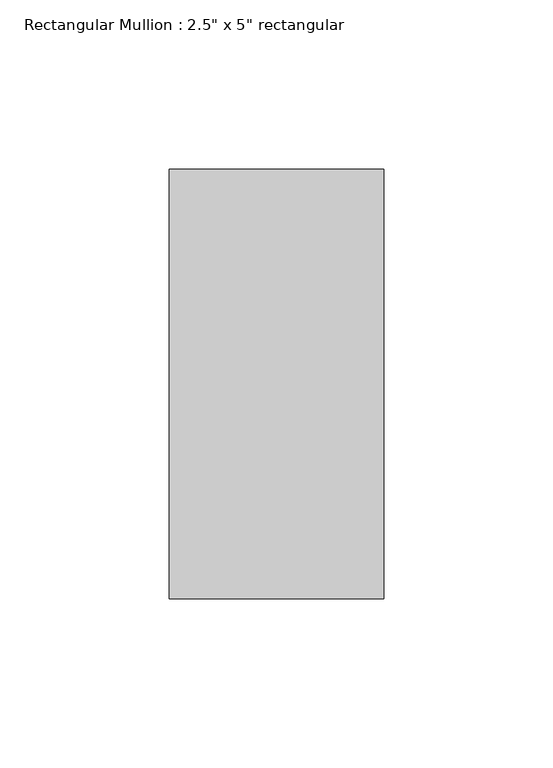
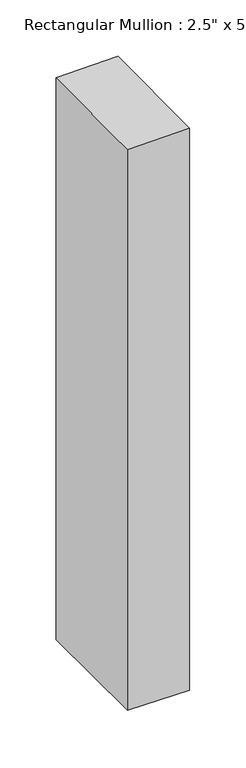
"""IFC4 building model written with IfcOpenShell, lengths in millimetres: member geometry."""

import ifcopenshell
import ifcopenshell.guid

model = None  # the IFC model being written
_history = None  # IfcOwnerHistory: only IFC2X3 demands one
_inside = {}  # id of a spatial element -> (the spatial element, [elements in it])
_under = {}  # id of a project, library or spatial element -> (it, [spatial elements below it])
_declared = {}  # id of a project -> (the project, [libraries it declares])
_typed = {}  # id of a type object -> (the type object, [elements of that type])
_made_of = {}  # id of a material, layer set ... -> (it, [elements and type objects made of it])


def new_model(schema):
    """Start an empty IFC model of exactly this schema.

    Asked for "IFC4X3", IfcOpenShell would pick the latest addendum, in which some entities
    have other attributes; the version numbers below select the first issue.
    IFC2X3 requires an IfcOwnerHistory on every rooted entity: one is made here for all.
    """
    global model, _history
    if schema == "IFC4X3":
        model = ifcopenshell.file(schema_version=(4, 3, 0, 0))
    else:
        model = ifcopenshell.file(schema=schema)
    _inside.clear()
    _under.clear()
    _declared.clear()
    _typed.clear()
    _made_of.clear()
    _history = None
    if model.schema == "IFC2X3":
        org = make("IfcOrganization", Name="unknown")
        user = make(
            "IfcPersonAndOrganization",
            ThePerson=make("IfcPerson", FamilyName="unknown"),
            TheOrganization=org,
        )
        app = make(
            "IfcApplication",
            ApplicationDeveloper=org,
            Version="unknown",
            ApplicationFullName="unknown",
            ApplicationIdentifier="unknown",
        )
        _history = make(
            "IfcOwnerHistory",
            OwningUser=user,
            OwningApplication=app,
            ChangeAction="ADDED",
            CreationDate=0,
        )
    return model


def make(cls, **values):
    """One entity of the class cls with the attributes given. An attribute that is None is left unset."""
    return model.create_entity(
        cls, **{name: value for name, value in values.items() if value is not None}
    )


def rooted(cls, **values):
    """An entity with a GlobalId (a new one), such as an element, a storey or a relation."""
    return make(cls, GlobalId=ifcopenshell.guid.new(), OwnerHistory=_history, **values)


def si_unit(unit_type, name, prefix=None):
    """IfcSIUnit, for example si_unit("LENGTHUNIT", "METRE", prefix="MILLI")."""
    return make("IfcSIUnit", UnitType=unit_type, Prefix=prefix, Name=name)


def assignment(units):
    """IfcUnitAssignment: the units of a project."""
    return None if units is None else make("IfcUnitAssignment", Units=units)


def point(xyz):
    """IfcCartesianPoint."""
    return None if xyz is None else make("IfcCartesianPoint", Coordinates=xyz)


def direction(xyz):
    """IfcDirection."""
    return None if xyz is None else make("IfcDirection", DirectionRatios=xyz)


def frame(location, z_axis=None, x_axis=None):
    """IfcAxis2Placement3D, a coordinate frame: its origin and axes. An axis left out is left unset."""
    return make(
        "IfcAxis2Placement3D",
        Location=point(location),
        Axis=direction(z_axis),
        RefDirection=direction(x_axis),
    )


def origin():
    """The frame at (0, 0, 0) with its axes left unset."""
    return frame((0.0, 0.0, 0.0))


def place(relative_to, where):
    """IfcLocalPlacement: puts the frame where relative to a parent placement (None: the world)."""
    return make(
        "IfcLocalPlacement", PlacementRelTo=relative_to, RelativePlacement=where
    )


def context(
    kind, dimensions, precision=None, world=None, true_north=None, identifier=None
):
    """IfcGeometricRepresentationContext, for example the 3D "Model" context."""
    return make(
        "IfcGeometricRepresentationContext",
        ContextIdentifier=identifier,
        ContextType=kind,
        CoordinateSpaceDimension=dimensions,
        Precision=precision,
        WorldCoordinateSystem=world,
        TrueNorth=true_north,
    )


def project(units=None, contexts=None):
    """IfcProject with its units and contexts."""
    return rooted(
        "IfcProject",
        Name="project",
        RepresentationContexts=contexts,
        UnitsInContext=assignment(units),
    )


def spatial(cls, under=None, at=None, **own):
    """A site, building, storey or space (cls), placed at a placement, below another one or the project."""
    s = rooted(cls, ObjectPlacement=at, **own)
    if under is not None:
        _under.setdefault(under.id(), (under, []))[1].append(s)
    return s


def faces_of(points, faces, orient=None, outer=None):
    """IfcFace entities. A face is a list of loops; a loop is a list of indices into points, from 0.

    orient and outer hold one flag for each loop. By default every Orientation is true, the
    first loop of a face is its IfcFaceOuterBound and the others are IfcFaceBound.
    """
    made = []
    for i, loops in enumerate(faces):
        bounds = []
        for j, loop in enumerate(loops):
            is_outer = j == 0 if outer is None else outer[i][j]
            bounds.append(
                make(
                    "IfcFaceOuterBound" if is_outer else "IfcFaceBound",
                    Bound=make("IfcPolyLoop", Polygon=[points[k] for k in loop]),
                    Orientation=True if orient is None else orient[i][j],
                )
            )
        made.append(make("IfcFace", Bounds=bounds))
    return made


def faceted_brep(points, faces, orient=None, outer=None, voids=None):
    """IfcFacetedBrep: a solid bounded by flat faces; with voids (closed shells), ...WithVoids."""
    shared = [point(p) for p in points]
    hull = make("IfcClosedShell", CfsFaces=faces_of(shared, faces, orient, outer))
    if voids is None:
        return make("IfcFacetedBrep", Outer=hull)
    return make(
        "IfcFacetedBrepWithVoids",
        Outer=hull,
        Voids=[
            make(cls, CfsFaces=faces_of(shared, fs, o, b)) for cls, fs, o, b in voids
        ],
    )


def shape(context_of_items, identifier, shape_type, items):
    """IfcShapeRepresentation: the items that make up one representation, for example the "Body"."""
    return make(
        "IfcShapeRepresentation",
        ContextOfItems=context_of_items,
        RepresentationIdentifier=identifier,
        RepresentationType=shape_type,
        Items=items,
    )


def source(mapping_origin, context_of_items, identifier, shape_type, items):
    """IfcRepresentationMap: a shape defined once, which mapped items show again and again."""
    return make(
        "IfcRepresentationMap",
        MappingOrigin=mapping_origin,
        MappedRepresentation=shape(context_of_items, identifier, shape_type, items),
    )


def transform(
    local_origin,
    x_axis=None,
    y_axis=None,
    z_axis=None,
    scale=None,
    scale2=None,
    scale3=None,
    uniform=True,
):
    """IfcCartesianTransformationOperator3D, or its non-uniform kind. x_axis, y_axis, z_axis: its Axis1, 2, 3."""
    if uniform:
        return make(
            "IfcCartesianTransformationOperator3D",
            Axis1=direction(x_axis),
            Axis2=direction(y_axis),
            LocalOrigin=point(local_origin),
            Scale=scale,
            Axis3=direction(z_axis),
        )
    return make(
        "IfcCartesianTransformationOperator3DnonUniform",
        Axis1=direction(x_axis),
        Axis2=direction(y_axis),
        LocalOrigin=point(local_origin),
        Scale=scale,
        Axis3=direction(z_axis),
        Scale2=scale2,
        Scale3=scale3,
    )


def mapped(mapping_source, mapping_target):
    """IfcMappedItem: shows the shape of a source again, moved by a transform."""
    return make(
        "IfcMappedItem", MappingSource=mapping_source, MappingTarget=mapping_target
    )


def made_of(thing, what):
    """Note that an element or type object is made of a material, layer set ...; save() writes the relation."""
    if what is not None:
        _made_of.setdefault(what.id(), (what, []))[1].append(thing)
    return thing


def element(
    cls,
    number,
    at=None,
    inside=None,
    cuts=None,
    type_object=None,
    material=None,
    context=None,
    identifier="Body",
    shape_type=None,
    held_by="IfcProductDefinitionShape",
    body=None,
    shapes=None,
    **own,
):
    """One element of the class cls, such as IfcWall. Its Tag is "e" and its number.

    at: its placement. inside: the storey or other place that contains it. cuts: it is an
    opening in that element (IfcRelVoidsElement). A single representation is given by context,
    identifier, shape_type and body (its items); several are given by shapes. held_by: the class
    of the entity that holds the representations. save() writes the other relations.
    """
    e = rooted(cls, Tag="e%d" % number, ObjectPlacement=at, **own)
    if body is not None:
        shapes = [shape(context, identifier, shape_type, body)]
    if shapes is not None:
        e.Representation = make(held_by, Representations=shapes)
    if inside is not None:
        _inside.setdefault(inside.id(), (inside, []))[1].append(e)
    if cuts is not None:
        rooted(
            "IfcRelVoidsElement", RelatingBuildingElement=cuts, RelatedOpeningElement=e
        )
    if type_object is not None:
        _typed.setdefault(type_object.id(), (type_object, []))[1].append(e)
    return made_of(e, material)


def aggregate(whole, parts):
    """IfcRelAggregates: a whole, such as a stair, and the parts it consists of."""
    return rooted("IfcRelAggregates", RelatingObject=whole, RelatedObjects=parts)


def save(model, path):
    """Write the relations noted so far, then the file.

    IfcRelAggregates (storeys below a building ...), IfcRelContainedInSpatialStructure (elements
    in a storey), IfcRelDefinesByType, IfcRelAssociatesMaterial and IfcRelDeclares: one each for
    every whole, place, type object, material and project.
    """
    for whole, parts in _under.values():
        aggregate(whole, parts)
    for where, things in _inside.values():
        rooted(
            "IfcRelContainedInSpatialStructure",
            RelatedElements=things,
            RelatingStructure=where,
        )
    for kind, things in _typed.values():
        rooted("IfcRelDefinesByType", RelatedObjects=things, RelatingType=kind)
    for what, things in _made_of.values():
        rooted("IfcRelAssociatesMaterial", RelatedObjects=things, RelatingMaterial=what)
    for by, libraries in _declared.values():
        rooted("IfcRelDeclares", RelatingContext=by, RelatedDefinitions=libraries)
    model.write(path)


def member_285b8b88(model_context):
    return source(origin(), model_context, "Body", "Brep", [
        faceted_brep([(-63.5, 63.5, -0.6851693), (0.0, 63.5, 0.3897325), (0.0, 63.5, -610.6172569), (-63.5, 63.5, -609.7144981), (-63.5, -63.5, -1.4646343), (-63.5, -63.5, -608.9371699), (0.0, -63.5, -0.3897325), (0.0, -63.5, -609.8399288)], [[[0, 1, 2, 3]], [[4, 0, 3, 5]], [[6, 4, 5, 7]], [[1, 6, 7, 2]], [[1, 0, 4, 6]], [[2, 7, 5, 3]]]),
    ])


if __name__ == "__main__":
    model = new_model("IFC4")
    model_context = context("Model", 3, world=origin())
    ifc_project = project(units=[si_unit("LENGTHUNIT", "METRE", prefix="MILLI")], contexts=[model_context])
    site = spatial("IfcSite", under=ifc_project)
    building = spatial("IfcBuilding", under=site)
    placement = place(None, origin())
    member_shape = member_285b8b88(model_context)
    element("IfcMember", 1, ObjectType="Rectangular Mullion : 2.5\" x 5\" rectangular", at=placement, inside=building, context=model_context, shape_type="MappedRepresentation", body=[
        mapped(member_shape, transform((0.0, 0.0, 0.0), x_axis=(1.0, 0.0, 0.0), y_axis=(0.0, 1.0, 0.0), z_axis=(0.0, 0.0, 1.0))),
    ])
    save(model, "model.ifc")
